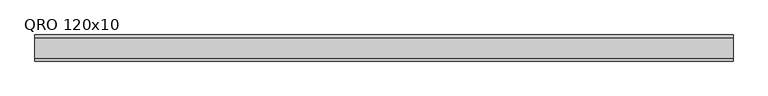
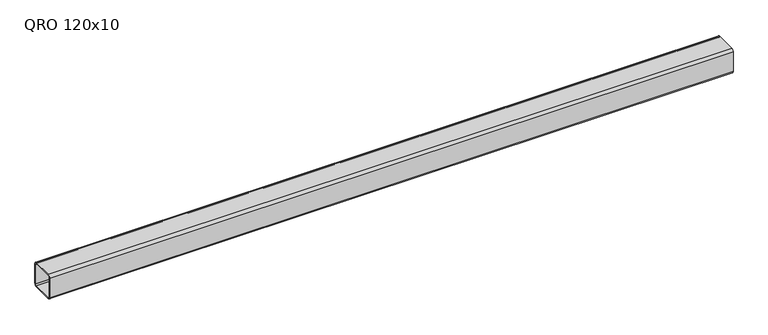
"""IFC4 building model written with IfcOpenShell, lengths in millimetres: beam geometry, QRO 120x10."""

import ifcopenshell
import ifcopenshell.guid

model = None  # the IFC model being written
_history = None  # IfcOwnerHistory: only IFC2X3 demands one
_inside = {}  # id of a spatial element -> (the spatial element, [elements in it])
_under = {}  # id of a project, library or spatial element -> (it, [spatial elements below it])
_declared = {}  # id of a project -> (the project, [libraries it declares])
_typed = {}  # id of a type object -> (the type object, [elements of that type])
_made_of = {}  # id of a material, layer set ... -> (it, [elements and type objects made of it])


def new_model(schema):
    """Start an empty IFC model of exactly this schema.

    Asked for "IFC4X3", IfcOpenShell would pick the latest addendum, in which some entities
    have other attributes; the version numbers below select the first issue.
    IFC2X3 requires an IfcOwnerHistory on every rooted entity: one is made here for all.
    """
    global model, _history
    if schema == "IFC4X3":
        model = ifcopenshell.file(schema_version=(4, 3, 0, 0))
    else:
        model = ifcopenshell.file(schema=schema)
    _inside.clear()
    _under.clear()
    _declared.clear()
    _typed.clear()
    _made_of.clear()
    _history = None
    if model.schema == "IFC2X3":
        org = make("IfcOrganization", Name="unknown")
        user = make(
            "IfcPersonAndOrganization",
            ThePerson=make("IfcPerson", FamilyName="unknown"),
            TheOrganization=org,
        )
        app = make(
            "IfcApplication",
            ApplicationDeveloper=org,
            Version="unknown",
            ApplicationFullName="unknown",
            ApplicationIdentifier="unknown",
        )
        _history = make(
            "IfcOwnerHistory",
            OwningUser=user,
            OwningApplication=app,
            ChangeAction="ADDED",
            CreationDate=0,
        )
    return model


def make(cls, **values):
    """One entity of the class cls with the attributes given. An attribute that is None is left unset."""
    return model.create_entity(
        cls, **{name: value for name, value in values.items() if value is not None}
    )


def rooted(cls, **values):
    """An entity with a GlobalId (a new one), such as an element, a storey or a relation."""
    return make(cls, GlobalId=ifcopenshell.guid.new(), OwnerHistory=_history, **values)


def si_unit(unit_type, name, prefix=None):
    """IfcSIUnit, for example si_unit("LENGTHUNIT", "METRE", prefix="MILLI")."""
    return make("IfcSIUnit", UnitType=unit_type, Prefix=prefix, Name=name)


def assignment(units):
    """IfcUnitAssignment: the units of a project."""
    return None if units is None else make("IfcUnitAssignment", Units=units)


def point(xyz):
    """IfcCartesianPoint."""
    return None if xyz is None else make("IfcCartesianPoint", Coordinates=xyz)


def direction(xyz):
    """IfcDirection."""
    return None if xyz is None else make("IfcDirection", DirectionRatios=xyz)


def frame(location, z_axis=None, x_axis=None):
    """IfcAxis2Placement3D, a coordinate frame: its origin and axes. An axis left out is left unset."""
    return make(
        "IfcAxis2Placement3D",
        Location=point(location),
        Axis=direction(z_axis),
        RefDirection=direction(x_axis),
    )


def frame_2d(location, x_axis=None):
    """IfcAxis2Placement2D, a coordinate frame in the plane: its origin and x axis."""
    return make(
        "IfcAxis2Placement2D", Location=point(location), RefDirection=direction(x_axis)
    )


def origin():
    """The frame at (0, 0, 0) with its axes left unset."""
    return frame((0.0, 0.0, 0.0))


def place(relative_to, where):
    """IfcLocalPlacement: puts the frame where relative to a parent placement (None: the world)."""
    return make(
        "IfcLocalPlacement", PlacementRelTo=relative_to, RelativePlacement=where
    )


def context(
    kind, dimensions, precision=None, world=None, true_north=None, identifier=None
):
    """IfcGeometricRepresentationContext, for example the 3D "Model" context."""
    return make(
        "IfcGeometricRepresentationContext",
        ContextIdentifier=identifier,
        ContextType=kind,
        CoordinateSpaceDimension=dimensions,
        Precision=precision,
        WorldCoordinateSystem=world,
        TrueNorth=true_north,
    )


def project(units=None, contexts=None):
    """IfcProject with its units and contexts."""
    return rooted(
        "IfcProject",
        Name="project",
        RepresentationContexts=contexts,
        UnitsInContext=assignment(units),
    )


def spatial(cls, under=None, at=None, **own):
    """A site, building, storey or space (cls), placed at a placement, below another one or the project."""
    s = rooted(cls, ObjectPlacement=at, **own)
    if under is not None:
        _under.setdefault(under.id(), (under, []))[1].append(s)
    return s


def polyline(points):
    """IfcPolyline through the points."""
    return make("IfcPolyline", Points=[point(p) for p in points])


def circle_curve(where, radius):
    """IfcCircle in the frame where."""
    return make("IfcCircle", Position=where, Radius=radius)


def trimmed(basis, trim1, trim2, sense, master):
    """IfcTrimmedCurve: the piece of a basis curve between two trims."""
    return make(
        "IfcTrimmedCurve",
        BasisCurve=basis,
        Trim1=trim1,
        Trim2=trim2,
        SenseAgreement=sense,
        MasterRepresentation=master,
    )


def segment(curve, same_sense, transition):
    """IfcCompositeCurveSegment."""
    return make(
        "IfcCompositeCurveSegment",
        Transition=transition,
        SameSense=same_sense,
        ParentCurve=curve,
    )


def composite_curve(segments, self_intersect=None):
    """IfcCompositeCurve: segments joined end to end."""
    return make("IfcCompositeCurve", Segments=segments, SelfIntersect=self_intersect)


def outline(outer, holes=None, kind="AREA"):
    """IfcArbitraryClosedProfileDef: a profile drawn as a closed curve; with holes, ...WithVoids."""
    if holes is None:
        return make("IfcArbitraryClosedProfileDef", ProfileType=kind, OuterCurve=outer)
    return make(
        "IfcArbitraryProfileDefWithVoids",
        ProfileType=kind,
        OuterCurve=outer,
        InnerCurves=holes,
    )


def extrude(swept, where, along, depth):
    """IfcExtrudedAreaSolid: the profile swept, set in the frame where, extruded along a direction by depth."""
    return make(
        "IfcExtrudedAreaSolid",
        SweptArea=swept,
        Position=where,
        ExtrudedDirection=direction(along),
        Depth=depth,
    )


def shape(context_of_items, identifier, shape_type, items):
    """IfcShapeRepresentation: the items that make up one representation, for example the "Body"."""
    return make(
        "IfcShapeRepresentation",
        ContextOfItems=context_of_items,
        RepresentationIdentifier=identifier,
        RepresentationType=shape_type,
        Items=items,
    )


def source(mapping_origin, context_of_items, identifier, shape_type, items):
    """IfcRepresentationMap: a shape defined once, which mapped items show again and again."""
    return make(
        "IfcRepresentationMap",
        MappingOrigin=mapping_origin,
        MappedRepresentation=shape(context_of_items, identifier, shape_type, items),
    )


def transform(
    local_origin,
    x_axis=None,
    y_axis=None,
    z_axis=None,
    scale=None,
    scale2=None,
    scale3=None,
    uniform=True,
):
    """IfcCartesianTransformationOperator3D, or its non-uniform kind. x_axis, y_axis, z_axis: its Axis1, 2, 3."""
    if uniform:
        return make(
            "IfcCartesianTransformationOperator3D",
            Axis1=direction(x_axis),
            Axis2=direction(y_axis),
            LocalOrigin=point(local_origin),
            Scale=scale,
            Axis3=direction(z_axis),
        )
    return make(
        "IfcCartesianTransformationOperator3DnonUniform",
        Axis1=direction(x_axis),
        Axis2=direction(y_axis),
        LocalOrigin=point(local_origin),
        Scale=scale,
        Axis3=direction(z_axis),
        Scale2=scale2,
        Scale3=scale3,
    )


def mapped(mapping_source, mapping_target):
    """IfcMappedItem: shows the shape of a source again, moved by a transform."""
    return make(
        "IfcMappedItem", MappingSource=mapping_source, MappingTarget=mapping_target
    )


def made_of(thing, what):
    """Note that an element or type object is made of a material, layer set ...; save() writes the relation."""
    if what is not None:
        _made_of.setdefault(what.id(), (what, []))[1].append(thing)
    return thing


def element(
    cls,
    number,
    at=None,
    inside=None,
    cuts=None,
    type_object=None,
    material=None,
    context=None,
    identifier="Body",
    shape_type=None,
    held_by="IfcProductDefinitionShape",
    body=None,
    shapes=None,
    **own,
):
    """One element of the class cls, such as IfcWall. Its Tag is "e" and its number.

    at: its placement. inside: the storey or other place that contains it. cuts: it is an
    opening in that element (IfcRelVoidsElement). A single representation is given by context,
    identifier, shape_type and body (its items); several are given by shapes. held_by: the class
    of the entity that holds the representations. save() writes the other relations.
    """
    e = rooted(cls, Tag="e%d" % number, ObjectPlacement=at, **own)
    if body is not None:
        shapes = [shape(context, identifier, shape_type, body)]
    if shapes is not None:
        e.Representation = make(held_by, Representations=shapes)
    if inside is not None:
        _inside.setdefault(inside.id(), (inside, []))[1].append(e)
    if cuts is not None:
        rooted(
            "IfcRelVoidsElement", RelatingBuildingElement=cuts, RelatedOpeningElement=e
        )
    if type_object is not None:
        _typed.setdefault(type_object.id(), (type_object, []))[1].append(e)
    return made_of(e, material)


def aggregate(whole, parts):
    """IfcRelAggregates: a whole, such as a stair, and the parts it consists of."""
    return rooted("IfcRelAggregates", RelatingObject=whole, RelatedObjects=parts)


def save(model, path):
    """Write the relations noted so far, then the file.

    IfcRelAggregates (storeys below a building ...), IfcRelContainedInSpatialStructure (elements
    in a storey), IfcRelDefinesByType, IfcRelAssociatesMaterial and IfcRelDeclares: one each for
    every whole, place, type object, material and project.
    """
    for whole, parts in _under.values():
        aggregate(whole, parts)
    for where, things in _inside.values():
        rooted(
            "IfcRelContainedInSpatialStructure",
            RelatedElements=things,
            RelatingStructure=where,
        )
    for kind, things in _typed.values():
        rooted("IfcRelDefinesByType", RelatedObjects=things, RelatingType=kind)
    for what, things in _made_of.values():
        rooted("IfcRelAssociatesMaterial", RelatedObjects=things, RelatingMaterial=what)
    for by, libraries in _declared.values():
        rooted("IfcRelDeclares", RelatingContext=by, RelatedDefinitions=libraries)
    model.write(path)


def qro_120x10_54b4448a(model_context):
    return source(origin(), model_context, "Body", "SweptSolid", [
        extrude(outline(composite_curve([segment(polyline([(60.0, 48.0), (60.0, -48.0)]), True, "CONTINUOUS"), segment(trimmed(circle_curve(frame_2d((48.0, -48.0)), 12.0), [point((60.0, -48.0))], [point((48.0, -60.0))], False, "CARTESIAN"), True, "CONTINUOUS"), segment(polyline([(48.0, -60.0), (-48.0, -60.0)]), True, "CONTINUOUS"), segment(trimmed(circle_curve(frame_2d((-48.0, -48.0)), 12.0), [point((-48.0, -60.0))], [point((-60.0, -48.0))], False, "CARTESIAN"), True, "CONTINUOUS"), segment(polyline([(-60.0, -48.0), (-60.0, 48.0)]), True, "CONTINUOUS"), segment(trimmed(circle_curve(frame_2d((-48.0, 48.0)), 12.0), [point((-60.0, 48.0))], [point((-48.0, 60.0))], False, "CARTESIAN"), True, "CONTINUOUS"), segment(polyline([(-48.0, 60.0), (48.0, 60.0)]), True, "CONTINUOUS"), segment(trimmed(circle_curve(frame_2d((48.0, 48.0)), 12.0), [point((48.0, 60.0))], [point((60.0, 48.0))], False, "CARTESIAN"), True, "CONTINUOUS")], self_intersect=False), holes=[composite_curve([segment(trimmed(circle_curve(frame_2d((-48.0, 48.0)), 6.0), [point((-48.0, 54.0))], [point((-54.0, 48.0))], True, "CARTESIAN"), True, "CONTINUOUS"), segment(polyline([(-54.0, 48.0), (-54.0, -48.0)]), True, "CONTINUOUS"), segment(trimmed(circle_curve(frame_2d((-48.0, -48.0)), 6.0), [point((-54.0, -48.0))], [point((-48.0, -54.0))], True, "CARTESIAN"), True, "CONTINUOUS"), segment(polyline([(-48.0, -54.0), (48.0, -54.0)]), True, "CONTINUOUS"), segment(trimmed(circle_curve(frame_2d((48.0, -48.0)), 6.0), [point((48.0, -54.0))], [point((54.0, -48.0))], True, "CARTESIAN"), True, "CONTINUOUS"), segment(polyline([(54.0, -48.0), (54.0, 48.0)]), True, "CONTINUOUS"), segment(trimmed(circle_curve(frame_2d((48.0, 48.0)), 6.0), [point((54.0, 48.0))], [point((48.0, 54.0))], True, "CARTESIAN"), True, "CONTINUOUS"), segment(polyline([(48.0, 54.0), (-48.0, 54.0)]), True, "CONTINUOUS")], self_intersect=False)]), frame((-1622.5057092, 0.0, 0.0), z_axis=(1.0, 0.0, 0.0), x_axis=(0.0, 1.0, 0.0)), (0.0, 0.0, 1.0), 3211.0103942),
    ])


if __name__ == "__main__":
    model = new_model("IFC4")
    model_context = context("Model", 3, world=origin())
    ifc_project = project(units=[si_unit("LENGTHUNIT", "METRE", prefix="MILLI")], contexts=[model_context])
    site = spatial("IfcSite", under=ifc_project)
    building = spatial("IfcBuilding", under=site)
    placement = place(None, origin())
    qro_120x10_shape = qro_120x10_54b4448a(model_context)
    element("IfcBeam", 1, ObjectType="QRO 120x10", at=placement, inside=building, context=model_context, shape_type="MappedRepresentation", body=[
        mapped(qro_120x10_shape, transform((0.0, 0.0, 0.0), x_axis=(1.0, 0.0, 0.0), y_axis=(0.0, 1.0, 0.0), z_axis=(0.0, 0.0, 1.0))),
    ])
    save(model, "model.ifc")
